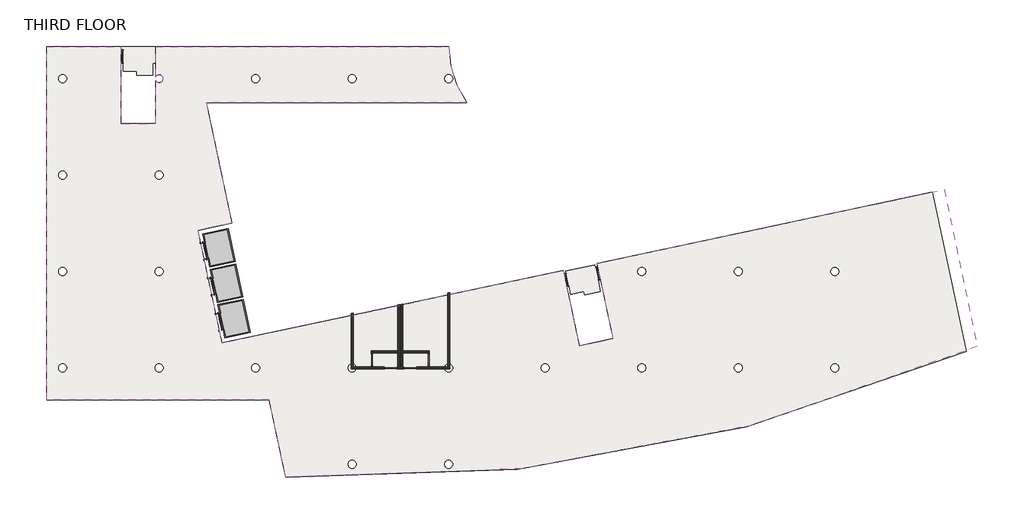
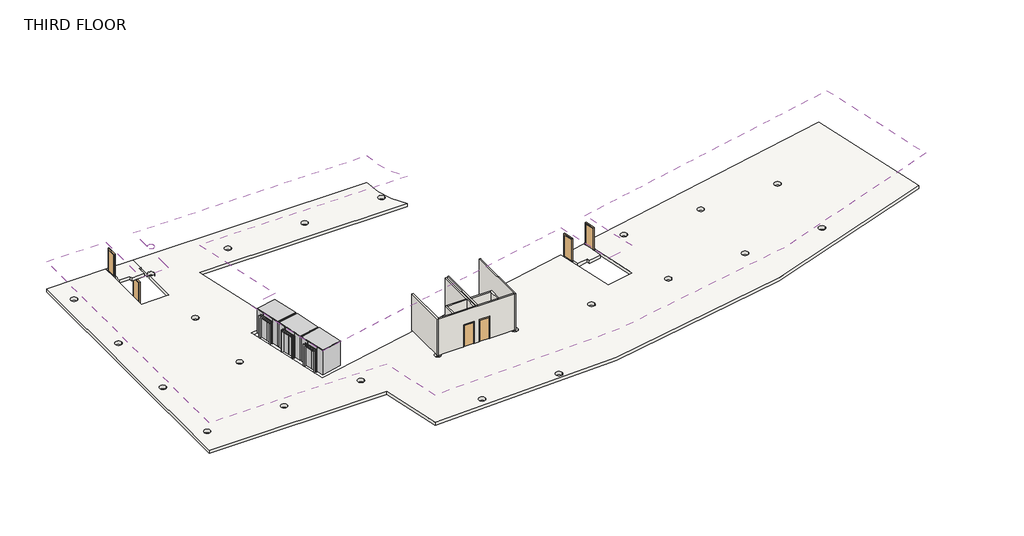
# One storey: 9 walls, 8 doors, 3 proxies, 2 slabs, 1 covering.
"""IFC4 building model written with IfcOpenShell, lengths in millimetres."""

import ifcopenshell
import ifcopenshell.guid

model = None  # the IFC model being written
_history = None  # IfcOwnerHistory: only IFC2X3 demands one
_inside = {}  # id of a spatial element -> (the spatial element, [elements in it])
_under = {}  # id of a project, library or spatial element -> (it, [spatial elements below it])
_declared = {}  # id of a project -> (the project, [libraries it declares])
_typed = {}  # id of a type object -> (the type object, [elements of that type])
_made_of = {}  # id of a material, layer set ... -> (it, [elements and type objects made of it])


def new_model(schema):
    """Start an empty IFC model of exactly this schema.

    Asked for "IFC4X3", IfcOpenShell would pick the latest addendum, in which some entities
    have other attributes; the version numbers below select the first issue.
    IFC2X3 requires an IfcOwnerHistory on every rooted entity: one is made here for all.
    """
    global model, _history
    if schema == "IFC4X3":
        model = ifcopenshell.file(schema_version=(4, 3, 0, 0))
    else:
        model = ifcopenshell.file(schema=schema)
    _inside.clear()
    _under.clear()
    _declared.clear()
    _typed.clear()
    _made_of.clear()
    _history = None
    if model.schema == "IFC2X3":
        org = make("IfcOrganization", Name="unknown")
        user = make(
            "IfcPersonAndOrganization",
            ThePerson=make("IfcPerson", FamilyName="unknown"),
            TheOrganization=org,
        )
        app = make(
            "IfcApplication",
            ApplicationDeveloper=org,
            Version="unknown",
            ApplicationFullName="unknown",
            ApplicationIdentifier="unknown",
        )
        _history = make(
            "IfcOwnerHistory",
            OwningUser=user,
            OwningApplication=app,
            ChangeAction="ADDED",
            CreationDate=0,
        )
    return model


def make(cls, **values):
    """One entity of the class cls with the attributes given. An attribute that is None is left unset."""
    return model.create_entity(
        cls, **{name: value for name, value in values.items() if value is not None}
    )


def rooted(cls, **values):
    """An entity with a GlobalId (a new one), such as an element, a storey or a relation."""
    return make(cls, GlobalId=ifcopenshell.guid.new(), OwnerHistory=_history, **values)


def si_unit(unit_type, name, prefix=None):
    """IfcSIUnit, for example si_unit("LENGTHUNIT", "METRE", prefix="MILLI")."""
    return make("IfcSIUnit", UnitType=unit_type, Prefix=prefix, Name=name)


def assignment(units):
    """IfcUnitAssignment: the units of a project."""
    return None if units is None else make("IfcUnitAssignment", Units=units)


def point(xyz):
    """IfcCartesianPoint."""
    return None if xyz is None else make("IfcCartesianPoint", Coordinates=xyz)


def direction(xyz):
    """IfcDirection."""
    return None if xyz is None else make("IfcDirection", DirectionRatios=xyz)


def frame(location, z_axis=None, x_axis=None):
    """IfcAxis2Placement3D, a coordinate frame: its origin and axes. An axis left out is left unset."""
    return make(
        "IfcAxis2Placement3D",
        Location=point(location),
        Axis=direction(z_axis),
        RefDirection=direction(x_axis),
    )


def frame_2d(location, x_axis=None):
    """IfcAxis2Placement2D, a coordinate frame in the plane: its origin and x axis."""
    return make(
        "IfcAxis2Placement2D", Location=point(location), RefDirection=direction(x_axis)
    )


def origin():
    """The frame at (0, 0, 0) with its axes left unset."""
    return frame((0.0, 0.0, 0.0))


def origin_with_axes():
    """The frame at (0, 0, 0) with the z axis (0, 0, 1) and the x axis (1, 0, 0) written out."""
    return frame((0.0, 0.0, 0.0), z_axis=(0.0, 0.0, 1.0), x_axis=(1.0, 0.0, 0.0))


def place(relative_to, where):
    """IfcLocalPlacement: puts the frame where relative to a parent placement (None: the world)."""
    return make(
        "IfcLocalPlacement", PlacementRelTo=relative_to, RelativePlacement=where
    )


def context(
    kind, dimensions, precision=None, world=None, true_north=None, identifier=None
):
    """IfcGeometricRepresentationContext, for example the 3D "Model" context."""
    return make(
        "IfcGeometricRepresentationContext",
        ContextIdentifier=identifier,
        ContextType=kind,
        CoordinateSpaceDimension=dimensions,
        Precision=precision,
        WorldCoordinateSystem=world,
        TrueNorth=true_north,
    )


def project(units=None, contexts=None):
    """IfcProject with its units and contexts."""
    return rooted(
        "IfcProject",
        Name="project",
        RepresentationContexts=contexts,
        UnitsInContext=assignment(units),
    )


def spatial(cls, under=None, at=None, **own):
    """A site, building, storey or space (cls), placed at a placement, below another one or the project."""
    s = rooted(cls, ObjectPlacement=at, **own)
    if under is not None:
        _under.setdefault(under.id(), (under, []))[1].append(s)
    return s


def polyline(points):
    """IfcPolyline through the points."""
    return make("IfcPolyline", Points=[point(p) for p in points])


def circle_curve(where, radius):
    """IfcCircle in the frame where."""
    return make("IfcCircle", Position=where, Radius=radius)


def trimmed(basis, trim1, trim2, sense, master):
    """IfcTrimmedCurve: the piece of a basis curve between two trims."""
    return make(
        "IfcTrimmedCurve",
        BasisCurve=basis,
        Trim1=trim1,
        Trim2=trim2,
        SenseAgreement=sense,
        MasterRepresentation=master,
    )


def segment(curve, same_sense, transition):
    """IfcCompositeCurveSegment."""
    return make(
        "IfcCompositeCurveSegment",
        Transition=transition,
        SameSense=same_sense,
        ParentCurve=curve,
    )


def composite_curve(segments, self_intersect=None):
    """IfcCompositeCurve: segments joined end to end."""
    return make("IfcCompositeCurve", Segments=segments, SelfIntersect=self_intersect)


def outline(outer, holes=None, kind="AREA"):
    """IfcArbitraryClosedProfileDef: a profile drawn as a closed curve; with holes, ...WithVoids."""
    if holes is None:
        return make("IfcArbitraryClosedProfileDef", ProfileType=kind, OuterCurve=outer)
    return make(
        "IfcArbitraryProfileDefWithVoids",
        ProfileType=kind,
        OuterCurve=outer,
        InnerCurves=holes,
    )


def extrude(swept, where, along, depth):
    """IfcExtrudedAreaSolid: the profile swept, set in the frame where, extruded along a direction by depth."""
    return make(
        "IfcExtrudedAreaSolid",
        SweptArea=swept,
        Position=where,
        ExtrudedDirection=direction(along),
        Depth=depth,
    )


def faces_of(points, faces, orient=None, outer=None):
    """IfcFace entities. A face is a list of loops; a loop is a list of indices into points, from 0.

    orient and outer hold one flag for each loop. By default every Orientation is true, the
    first loop of a face is its IfcFaceOuterBound and the others are IfcFaceBound.
    """
    made = []
    for i, loops in enumerate(faces):
        bounds = []
        for j, loop in enumerate(loops):
            is_outer = j == 0 if outer is None else outer[i][j]
            bounds.append(
                make(
                    "IfcFaceOuterBound" if is_outer else "IfcFaceBound",
                    Bound=make("IfcPolyLoop", Polygon=[points[k] for k in loop]),
                    Orientation=True if orient is None else orient[i][j],
                )
            )
        made.append(make("IfcFace", Bounds=bounds))
    return made


def faceted_brep(points, faces, orient=None, outer=None, voids=None):
    """IfcFacetedBrep: a solid bounded by flat faces; with voids (closed shells), ...WithVoids."""
    shared = [point(p) for p in points]
    hull = make("IfcClosedShell", CfsFaces=faces_of(shared, faces, orient, outer))
    if voids is None:
        return make("IfcFacetedBrep", Outer=hull)
    return make(
        "IfcFacetedBrepWithVoids",
        Outer=hull,
        Voids=[
            make(cls, CfsFaces=faces_of(shared, fs, o, b)) for cls, fs, o, b in voids
        ],
    )


def shape(context_of_items, identifier, shape_type, items):
    """IfcShapeRepresentation: the items that make up one representation, for example the "Body"."""
    return make(
        "IfcShapeRepresentation",
        ContextOfItems=context_of_items,
        RepresentationIdentifier=identifier,
        RepresentationType=shape_type,
        Items=items,
    )


def source(mapping_origin, context_of_items, identifier, shape_type, items):
    """IfcRepresentationMap: a shape defined once, which mapped items show again and again."""
    return make(
        "IfcRepresentationMap",
        MappingOrigin=mapping_origin,
        MappedRepresentation=shape(context_of_items, identifier, shape_type, items),
    )


def transform(
    local_origin,
    x_axis=None,
    y_axis=None,
    z_axis=None,
    scale=None,
    scale2=None,
    scale3=None,
    uniform=True,
):
    """IfcCartesianTransformationOperator3D, or its non-uniform kind. x_axis, y_axis, z_axis: its Axis1, 2, 3."""
    if uniform:
        return make(
            "IfcCartesianTransformationOperator3D",
            Axis1=direction(x_axis),
            Axis2=direction(y_axis),
            LocalOrigin=point(local_origin),
            Scale=scale,
            Axis3=direction(z_axis),
        )
    return make(
        "IfcCartesianTransformationOperator3DnonUniform",
        Axis1=direction(x_axis),
        Axis2=direction(y_axis),
        LocalOrigin=point(local_origin),
        Scale=scale,
        Axis3=direction(z_axis),
        Scale2=scale2,
        Scale3=scale3,
    )


def mapped(mapping_source, mapping_target):
    """IfcMappedItem: shows the shape of a source again, moved by a transform."""
    return make(
        "IfcMappedItem", MappingSource=mapping_source, MappingTarget=mapping_target
    )


def made_of(thing, what):
    """Note that an element or type object is made of a material, layer set ...; save() writes the relation."""
    if what is not None:
        _made_of.setdefault(what.id(), (what, []))[1].append(thing)
    return thing


def element(
    cls,
    number,
    at=None,
    inside=None,
    cuts=None,
    type_object=None,
    material=None,
    context=None,
    identifier="Body",
    shape_type=None,
    held_by="IfcProductDefinitionShape",
    body=None,
    shapes=None,
    **own,
):
    """One element of the class cls, such as IfcWall. Its Tag is "e" and its number.

    at: its placement. inside: the storey or other place that contains it. cuts: it is an
    opening in that element (IfcRelVoidsElement). A single representation is given by context,
    identifier, shape_type and body (its items); several are given by shapes. held_by: the class
    of the entity that holds the representations. save() writes the other relations.
    """
    e = rooted(cls, Tag="e%d" % number, ObjectPlacement=at, **own)
    if body is not None:
        shapes = [shape(context, identifier, shape_type, body)]
    if shapes is not None:
        e.Representation = make(held_by, Representations=shapes)
    if inside is not None:
        _inside.setdefault(inside.id(), (inside, []))[1].append(e)
    if cuts is not None:
        rooted(
            "IfcRelVoidsElement", RelatingBuildingElement=cuts, RelatedOpeningElement=e
        )
    if type_object is not None:
        _typed.setdefault(type_object.id(), (type_object, []))[1].append(e)
    return made_of(e, material)


def aggregate(whole, parts):
    """IfcRelAggregates: a whole, such as a stair, and the parts it consists of."""
    return rooted("IfcRelAggregates", RelatingObject=whole, RelatedObjects=parts)


def save(model, path):
    """Write the relations noted so far, then the file.

    IfcRelAggregates (storeys below a building ...), IfcRelContainedInSpatialStructure (elements
    in a storey), IfcRelDefinesByType, IfcRelAssociatesMaterial and IfcRelDeclares: one each for
    every whole, place, type object, material and project.
    """
    for whole, parts in _under.values():
        aggregate(whole, parts)
    for where, things in _inside.values():
        rooted(
            "IfcRelContainedInSpatialStructure",
            RelatedElements=things,
            RelatingStructure=where,
        )
    for kind, things in _typed.values():
        rooted("IfcRelDefinesByType", RelatedObjects=things, RelatingType=kind)
    for what, things in _made_of.values():
        rooted("IfcRelAssociatesMaterial", RelatedObjects=things, RelatingMaterial=what)
    for by, libraries in _declared.values():
        rooted("IfcRelDeclares", RelatingContext=by, RelatedDefinitions=libraries)
    model.write(path)


def elevator_elevator_aea40b95(model_context):
    return source(origin(), model_context, "Body", "SolidModel", [
        extrude(outline(polyline([(1292.0068205, 2184.4), (1292.0068205, 228.6), (-1273.3931795, 228.6), (-1273.3931795, 2184.4), (1292.0068205, 2184.4)])), frame((0.0, 0.0, 2438.4), z_axis=(0.0, 0.0, 1.0), x_axis=(1.0, 0.0, 0.0)), (0.0, 0.0, 1.0), 50.8),
        extrude(outline(polyline([(618.9068205, 177.8), (9.3068205, 177.8), (9.3068205, 228.6), (618.9068205, 228.6), (618.9068205, 177.8)])), origin_with_axes(), (0.0, 0.0, 1.0), 2133.6),
        extrude(outline(polyline([(9.3068205, 177.8), (-600.2931795, 177.8), (-600.2931795, 228.6), (9.3068205, 228.6), (9.3068205, 177.8)])), origin_with_axes(), (0.0, 0.0, 1.0), 2133.6),
        extrude(outline(polyline([(-1209.8931795, 292.1), (-600.2931795, 292.1), (-600.2931795, 228.6), (-1273.3931795, 228.6), (-1273.3931795, 2184.4), (1292.0068205, 2184.4), (1292.0068205, 228.6), (618.9068205, 228.6), (618.9068205, 292.1), (1228.5068205, 292.1), (1228.5068205, 2120.9), (-1209.8931795, 2120.9), (-1209.8931795, 292.1)])), origin_with_axes(), (0.0, 0.0, 1.0), 2438.4),
        extrude(outline(polyline([(9.3068205, 114.3), (-600.2931795, 114.3), (-600.2931795, 165.1), (9.3068205, 165.1), (9.3068205, 114.3)])), origin_with_axes(), (0.0, 0.0, 1.0), 2133.6),
        extrude(outline(polyline([(618.9068205, 114.3), (9.3068205, 114.3), (9.3068205, 165.1), (618.9068205, 165.1), (618.9068205, 114.3)])), origin_with_axes(), (0.0, 0.0, 1.0), 2133.6),
        faceted_brep([(618.9068205, -114.3, 0.0), (618.9068205, 114.3, 0.0), (714.1568205, 114.3, 0.0), (714.1568205, 101.6, 0.0), (631.6068205, 101.6, 0.0), (631.6068205, -101.6, 0.0), (714.1568205, -101.6, 0.0), (714.1568205, -114.3, 0.0), (618.9068205, -114.3, 2133.6), (618.9068205, 114.3, 2133.6), (-600.2931795, 114.3, 2133.6), (-600.2931795, 114.3, 0.0), (-695.5431795, 114.3, 0.0), (-695.5431795, 114.3, 2228.85), (714.1568205, 114.3, 2228.85), (714.1568205, 101.6, 2228.85), (-695.5431795, 101.6, 2228.85), (-695.5431795, 101.6, 0.0), (-612.9931795, 101.6, 0.0), (-612.9931795, 101.6, 2146.3), (631.6068205, 101.6, 2146.3), (631.6068205, -101.6, 2146.3), (-612.9931795, -101.6, 2146.3), (-612.9931795, -101.6, 0.0), (-695.5431795, -101.6, 0.0), (-695.5431795, -101.6, 2228.85), (714.1568205, -101.6, 2228.85), (714.1568205, -114.3, 2228.85), (-695.5431795, -114.3, 2228.85), (-695.5431795, -114.3, 0.0), (-600.2931795, -114.3, 0.0), (-600.2931795, -114.3, 2133.6)], [[[0, 1, 2, 3, 4, 5, 6, 7]], [[1, 0, 8, 9]], [[2, 1, 9, 10, 11, 12, 13, 14]], [[3, 2, 14, 15]], [[4, 3, 15, 16, 17, 18, 19, 20]], [[5, 4, 20, 21]], [[6, 5, 21, 22, 23, 24, 25, 26]], [[7, 6, 26, 27]], [[0, 7, 27, 28, 29, 30, 31, 8]], [[9, 8, 31, 10]], [[15, 14, 13, 16]], [[21, 20, 19, 22]], [[27, 26, 25, 28]], [[30, 29, 24, 23, 18, 17, 12, 11]], [[10, 31, 30, 11]], [[16, 13, 12, 17]], [[22, 19, 18, 23]], [[28, 25, 24, 29]]]),
        extrude(outline(polyline([(1228.5068205, 2120.9), (1228.5068205, 292.1), (-1209.8931795, 292.1), (-1209.8931795, 2120.9), (1228.5068205, 2120.9)])), frame((0.0, 0.0, -50.8), z_axis=(0.0, 0.0, 1.0), x_axis=(1.0, 0.0, 0.0)), (0.0, 0.0, 1.0), 50.8),
    ])


def door_single_3_0_x_7_0_eca5cfc2(model_context):
    return source(origin(), model_context, "Body", "SweptSolid", [
        extrude(outline(polyline([(2133.6, 457.2), (0.0, 457.2), (0.0, 508.0), (2235.2, 508.0), (2235.2, -508.0), (0.0, -508.0), (0.0, -457.2), (2133.6, -457.2), (2133.6, 457.2)])), frame((0.0, -63.5, 0.0), z_axis=(0.0, 1.0, 0.0), x_axis=(0.0, 0.0, 1.0)), (0.0, 0.0, 1.0), 101.6),
        extrude(outline(polyline([(457.2, -38.1), (-457.2, -38.1), (-457.2, 12.7), (457.2, 12.7), (457.2, -38.1)])), origin_with_axes(), (0.0, 0.0, 1.0), 2133.6),
    ])


def door_single_3_0_x_7_0_d1fda832(model_context):
    return source(origin(), model_context, "Body", "SweptSolid", [
        extrude(outline(polyline([(2133.6, 457.2), (0.0, 457.2), (0.0, 508.0), (2235.2, 508.0), (2235.2, -508.0), (0.0, -508.0), (0.0, -457.2), (2133.6, -457.2), (2133.6, 457.2)])), frame((0.0, -38.1, 0.0), z_axis=(0.0, 1.0, 0.0), x_axis=(0.0, 0.0, 1.0)), (0.0, 0.0, 1.0), 101.6),
        extrude(outline(polyline([(457.2, 38.1), (457.2, -12.7), (-457.2, -12.7), (-457.2, 38.1), (457.2, 38.1)])), origin_with_axes(), (0.0, 0.0, 1.0), 2133.6),
    ])


def door_single_3_0_x_7_0_1723c1a8(model_context):
    return source(origin(), model_context, "Body", "SweptSolid", [
        extrude(outline(polyline([(2133.6, 457.2), (0.0, 457.2), (0.0, 508.0), (2235.2, 508.0), (2235.2, -508.0), (0.0, -508.0), (0.0, -457.2), (2133.6, -457.2), (2133.6, 457.2)])), frame((0.0, -76.2, 0.0), z_axis=(0.0, 1.0, 0.0), x_axis=(0.0, 0.0, 1.0)), (0.0, 0.0, 1.0), 101.6),
        extrude(outline(polyline([(457.2, 0.0), (457.2, -50.8), (-457.2, -50.8), (-457.2, 0.0), (457.2, 0.0)])), origin_with_axes(), (0.0, 0.0, 1.0), 2133.6),
    ])


def door_single_3_0_x_7_0_8222587a(model_context):
    return source(origin(), model_context, "Body", "SweptSolid", [
        extrude(outline(polyline([(2133.6, 457.2), (0.0, 457.2), (0.0, 508.0), (2235.2, 508.0), (2235.2, -508.0), (0.0, -508.0), (0.0, -457.2), (2133.6, -457.2), (2133.6, 457.2)])), frame((0.0, -25.4, 0.0), z_axis=(0.0, 1.0, 0.0), x_axis=(0.0, 0.0, 1.0)), (0.0, 0.0, 1.0), 101.6),
        extrude(outline(polyline([(457.2, 0.0), (-457.2, 0.0), (-457.2, 50.8), (457.2, 50.8), (457.2, 0.0)])), origin_with_axes(), (0.0, 0.0, 1.0), 2133.6),
    ])


model = new_model("IFC4")

# Units and contexts
model_context = context("Model", 3, world=origin())
ifc_project = project(units=[si_unit("LENGTHUNIT", "METRE", prefix="MILLI")], contexts=[model_context])

# Site, building, storey
site = spatial("IfcSite", under=ifc_project)
building = spatial("IfcBuilding", under=site)
storey = spatial("IfcBuildingStorey", under=building, Name="THIRD FLOOR", Elevation=7315.2)

# Proxies
placement = place(None, origin())
elevator_elevator_shape = elevator_elevator_aea40b95(model_context)
element("IfcBuildingElementProxy", 1, Name="Elevator : Elevator", ObjectType="Elevator : Elevator", at=placement, inside=storey, context=model_context, shape_type="MappedRepresentation", body=[
    mapped(elevator_elevator_shape, transform((-17509.7580422, -9366.4730237, 7315.2), x_axis=(0.2079116908177548, -0.9781476007338066, 0.0), y_axis=(0.9781476007338066, 0.2079116908177548, 0.0), z_axis=(0.0, 0.0, 1.0))),
])
element("IfcBuildingElementProxy", 2, Name="Elevator : Elevator", ObjectType="Elevator : Elevator", at=placement, inside=storey, context=model_context, shape_type="MappedRepresentation", body=[
    mapped(elevator_elevator_shape, transform((-18080.1013924, -6683.2185254, 7315.2), x_axis=(0.2079116908177548, -0.9781476007338066, 0.0), y_axis=(0.9781476007338066, 0.2079116908177548, 0.0), z_axis=(0.0, 0.0, 1.0))),
])
element("IfcBuildingElementProxy", 3, Name="Elevator : Elevator", ObjectType="Elevator : Elevator", at=placement, inside=storey, context=model_context, shape_type="MappedRepresentation", body=[
    mapped(elevator_elevator_shape, transform((-18650.4447427, -3999.9640271, 7315.2), x_axis=(0.2079116908177548, -0.9781476007338066, 0.0), y_axis=(0.9781476007338066, 0.2079116908177548, 0.0), z_axis=(0.0, 0.0, 1.0))),
])

# Covering
element("IfcCovering", 4, ObjectType="2' x 2' ACT System", at=placement, inside=storey, context=model_context, shape_type="SweptSolid", body=[
    extrude(outline(composite_curve([segment(polyline([(-30534.9468949, 11508.042487), (-24906.4569123, 11508.042487), (-24906.4569123, 5666.042487), (-22264.8569123, 5666.042487), (-22264.8569123, 8917.8424385)]), True, "CONTINUOUS"), segment(trimmed(circle_curve(frame_2d((-22000.5468949, 9069.642487)), 304.8), [point((-22264.8569123, 8917.8424385))], [point((-22264.8569123, 9221.4425355))], True, "CARTESIAN"), True, "CONTINUOUS"), segment(polyline([(-22264.8569123, 9221.4425355), (-22264.8569123, 11508.042487), (-54.9468949, 11508.042487)]), True, "CONTINUOUS"), segment(trimmed(circle_curve(frame_2d((7260.2531065, 11508.042487)), 7315.2000015), [point((-54.9468949, 11508.042487))], [point((1318.6072723, 7240.8424869))], True, "CARTESIAN"), True, "CONTINUOUS"), segment(polyline([(1318.6072723, 7240.8424869), (-18443.0068148, 7240.8424869), (-16501.9960846, -1890.8950368), (-19085.8707867, -2440.1145593), (-17269.221597, -10986.7770354), (8619.2983214, -5484.0022549), (9829.8386527, -11202.6282078), (12413.9898379, -10653.3499171), (11198.6741211, -4935.7390037), (37489.0461282, 652.4520753), (40018.5133092, -11247.7553855)]), True, "CONTINUOUS"), segment(trimmed(circle_curve(frame_2d((-7737.0128889, 97609.7758268)), 118872.0000004), [point((40018.5133092, -11247.7553855))], [point((-12403.9734939, -21170.5755063))], False, "CARTESIAN"), True, "CONTINUOUS"), segment(polyline([(-12403.9734939, -21170.5755063), (-13648.751055, -15314.357513), (-30534.9468949, -15314.357513), (-30534.9468949, 11508.042487)]), True, "CONTINUOUS")], self_intersect=False), holes=[composite_curve([segment(trimmed(circle_curve(frame_2d((-29315.7468949, 9069.642487)), 304.8), [point((-29620.5468949, 9069.642487))], [point((-29010.9468949, 9069.642487))], True, "CARTESIAN"), True, "CONTINUOUS"), segment(trimmed(circle_curve(frame_2d((-29315.7468949, 9069.642487)), 304.8), [point((-29010.9468949, 9069.642487))], [point((-29620.5468949, 9069.642487))], True, "CARTESIAN"), True, "CONTINUOUS")], self_intersect=False), composite_curve([segment(trimmed(circle_curve(frame_2d((-29315.7468949, 1754.442487)), 304.8), [point((-29620.5468949, 1754.442487))], [point((-29010.9468949, 1754.442487))], True, "CARTESIAN"), True, "CONTINUOUS"), segment(trimmed(circle_curve(frame_2d((-29315.7468949, 1754.442487)), 304.8), [point((-29010.9468949, 1754.442487))], [point((-29620.5468949, 1754.442487))], True, "CARTESIAN"), True, "CONTINUOUS")], self_intersect=False), composite_curve([segment(trimmed(circle_curve(frame_2d((-29315.7468949, -5560.757513)), 304.8), [point((-29620.5468949, -5560.757513))], [point((-29010.9468949, -5560.757513))], True, "CARTESIAN"), True, "CONTINUOUS"), segment(trimmed(circle_curve(frame_2d((-29315.7468949, -5560.757513)), 304.8), [point((-29010.9468949, -5560.757513))], [point((-29620.5468949, -5560.757513))], True, "CARTESIAN"), True, "CONTINUOUS")], self_intersect=False), composite_curve([segment(trimmed(circle_curve(frame_2d((-29315.7468949, -12875.957513)), 304.8), [point((-29620.5468949, -12875.957513))], [point((-29010.9468949, -12875.957513))], True, "CARTESIAN"), True, "CONTINUOUS"), segment(trimmed(circle_curve(frame_2d((-29315.7468949, -12875.957513)), 304.8), [point((-29010.9468949, -12875.957513))], [point((-29620.5468949, -12875.957513))], True, "CARTESIAN"), True, "CONTINUOUS")], self_intersect=False), composite_curve([segment(trimmed(circle_curve(frame_2d((-22000.5468949, 1754.442487)), 304.8), [point((-22305.3468949, 1754.442487))], [point((-21695.7468949, 1754.442487))], True, "CARTESIAN"), True, "CONTINUOUS"), segment(trimmed(circle_curve(frame_2d((-22000.5468949, 1754.442487)), 304.8), [point((-21695.7468949, 1754.442487))], [point((-22305.3468949, 1754.442487))], True, "CARTESIAN"), True, "CONTINUOUS")], self_intersect=False), composite_curve([segment(trimmed(circle_curve(frame_2d((-22000.5468949, -5560.757513)), 304.8), [point((-22305.3468949, -5560.757513))], [point((-21695.7468949, -5560.757513))], True, "CARTESIAN"), True, "CONTINUOUS"), segment(trimmed(circle_curve(frame_2d((-22000.5468949, -5560.757513)), 304.8), [point((-21695.7468949, -5560.757513))], [point((-22305.3468949, -5560.757513))], True, "CARTESIAN"), True, "CONTINUOUS")], self_intersect=False), composite_curve([segment(trimmed(circle_curve(frame_2d((-22000.5468949, -12875.957513)), 304.8), [point((-22305.3468949, -12875.957513))], [point((-21695.7468949, -12875.957513))], True, "CARTESIAN"), True, "CONTINUOUS"), segment(trimmed(circle_curve(frame_2d((-22000.5468949, -12875.957513)), 304.8), [point((-21695.7468949, -12875.957513))], [point((-22305.3468949, -12875.957513))], True, "CARTESIAN"), True, "CONTINUOUS")], self_intersect=False), composite_curve([segment(trimmed(circle_curve(frame_2d((-14685.3468949, 9069.6424867)), 304.8), [point((-14990.1468949, 9069.6424867))], [point((-14380.5468949, 9069.6424867))], True, "CARTESIAN"), True, "CONTINUOUS"), segment(trimmed(circle_curve(frame_2d((-14685.3468949, 9069.6424867)), 304.8), [point((-14380.5468949, 9069.6424867))], [point((-14990.1468949, 9069.6424867))], True, "CARTESIAN"), True, "CONTINUOUS")], self_intersect=False), composite_curve([segment(trimmed(circle_curve(frame_2d((-14685.3468949, -12875.957513)), 304.8), [point((-14990.1468949, -12875.957513))], [point((-14380.5468949, -12875.957513))], True, "CARTESIAN"), True, "CONTINUOUS"), segment(trimmed(circle_curve(frame_2d((-14685.3468949, -12875.957513)), 304.8), [point((-14380.5468949, -12875.957513))], [point((-14990.1468949, -12875.957513))], True, "CARTESIAN"), True, "CONTINUOUS")], self_intersect=False), composite_curve([segment(trimmed(circle_curve(frame_2d((-7370.1468949, 9069.642487)), 304.8), [point((-7674.9468949, 9069.642487))], [point((-7065.3468949, 9069.642487))], True, "CARTESIAN"), True, "CONTINUOUS"), segment(trimmed(circle_curve(frame_2d((-7370.1468949, 9069.642487)), 304.8), [point((-7065.3468949, 9069.642487))], [point((-7674.9468949, 9069.642487))], True, "CARTESIAN"), True, "CONTINUOUS")], self_intersect=False), composite_curve([segment(trimmed(circle_curve(frame_2d((-7370.1468949, -12875.957513)), 304.8), [point((-7674.9468949, -12875.957513))], [point((-7065.3468949, -12875.957513))], True, "CARTESIAN"), True, "CONTINUOUS"), segment(trimmed(circle_curve(frame_2d((-7370.1468949, -12875.957513)), 304.8), [point((-7065.3468949, -12875.957513))], [point((-7674.9468949, -12875.957513))], True, "CARTESIAN"), True, "CONTINUOUS")], self_intersect=False), composite_curve([segment(trimmed(circle_curve(frame_2d((-54.946895, 9069.6424867)), 304.8), [point((-359.746895, 9069.6424867))], [point((249.853105, 9069.6424867))], True, "CARTESIAN"), True, "CONTINUOUS"), segment(trimmed(circle_curve(frame_2d((-54.946895, 9069.6424867)), 304.8), [point((249.853105, 9069.6424867))], [point((-359.746895, 9069.6424867))], True, "CARTESIAN"), True, "CONTINUOUS")], self_intersect=False), composite_curve([segment(trimmed(circle_curve(frame_2d((-54.9468949, -12875.957513)), 304.8), [point((-359.7468949, -12875.957513))], [point((249.8531051, -12875.957513))], True, "CARTESIAN"), True, "CONTINUOUS"), segment(trimmed(circle_curve(frame_2d((-54.9468949, -12875.957513)), 304.8), [point((249.8531051, -12875.957513))], [point((-359.7468949, -12875.957513))], True, "CARTESIAN"), True, "CONTINUOUS")], self_intersect=False), composite_curve([segment(trimmed(circle_curve(frame_2d((-7370.1468949, -20191.1575129)), 304.8), [point((-7674.9468949, -20191.1575129))], [point((-7065.3468949, -20191.1575129))], True, "CARTESIAN"), True, "CONTINUOUS"), segment(trimmed(circle_curve(frame_2d((-7370.1468949, -20191.1575129)), 304.8), [point((-7065.3468949, -20191.1575129))], [point((-7674.9468949, -20191.1575129))], True, "CARTESIAN"), True, "CONTINUOUS")], self_intersect=False), composite_curve([segment(trimmed(circle_curve(frame_2d((-54.9468949, -20191.157513)), 304.8), [point((-359.7468949, -20191.157513))], [point((249.8531051, -20191.157513))], True, "CARTESIAN"), True, "CONTINUOUS"), segment(trimmed(circle_curve(frame_2d((-54.9468949, -20191.157513)), 304.8), [point((249.8531051, -20191.157513))], [point((-359.7468949, -20191.157513))], True, "CARTESIAN"), True, "CONTINUOUS")], self_intersect=False), composite_curve([segment(trimmed(circle_curve(frame_2d((7260.2531051, -12875.957513)), 304.8), [point((6955.4531051, -12875.957513))], [point((7565.0531051, -12875.957513))], True, "CARTESIAN"), True, "CONTINUOUS"), segment(trimmed(circle_curve(frame_2d((7260.2531051, -12875.957513)), 304.8), [point((7565.0531051, -12875.957513))], [point((6955.4531051, -12875.957513))], True, "CARTESIAN"), True, "CONTINUOUS")], self_intersect=False), composite_curve([segment(trimmed(circle_curve(frame_2d((14575.4531051, -12875.957513)), 304.8), [point((14270.6531051, -12875.957513))], [point((14880.2531051, -12875.957513))], True, "CARTESIAN"), True, "CONTINUOUS"), segment(trimmed(circle_curve(frame_2d((14575.4531051, -12875.957513)), 304.8), [point((14880.2531051, -12875.957513))], [point((14270.6531051, -12875.957513))], True, "CARTESIAN"), True, "CONTINUOUS")], self_intersect=False), composite_curve([segment(trimmed(circle_curve(frame_2d((21890.6531051, -12875.957513)), 304.8), [point((21585.8531051, -12875.957513))], [point((22195.4531051, -12875.957513))], True, "CARTESIAN"), True, "CONTINUOUS"), segment(trimmed(circle_curve(frame_2d((21890.6531051, -12875.957513)), 304.8), [point((22195.4531051, -12875.957513))], [point((21585.8531051, -12875.957513))], True, "CARTESIAN"), True, "CONTINUOUS")], self_intersect=False), composite_curve([segment(trimmed(circle_curve(frame_2d((29205.8531051, -12875.957513)), 304.8), [point((28901.0531051, -12875.957513))], [point((29510.6531051, -12875.957513))], True, "CARTESIAN"), True, "CONTINUOUS"), segment(trimmed(circle_curve(frame_2d((29205.8531051, -12875.957513)), 304.8), [point((29510.6531051, -12875.957513))], [point((28901.0531051, -12875.957513))], True, "CARTESIAN"), True, "CONTINUOUS")], self_intersect=False), composite_curve([segment(trimmed(circle_curve(frame_2d((14575.4531051, -5560.7575131)), 304.8), [point((14270.6531051, -5560.7575131))], [point((14880.2531051, -5560.7575131))], True, "CARTESIAN"), True, "CONTINUOUS"), segment(trimmed(circle_curve(frame_2d((14575.4531051, -5560.7575131)), 304.8), [point((14880.2531051, -5560.7575131))], [point((14270.6531051, -5560.7575131))], True, "CARTESIAN"), True, "CONTINUOUS")], self_intersect=False), composite_curve([segment(trimmed(circle_curve(frame_2d((21890.6531051, -5560.757513)), 304.8), [point((21585.8531051, -5560.757513))], [point((22195.4531051, -5560.757513))], True, "CARTESIAN"), True, "CONTINUOUS"), segment(trimmed(circle_curve(frame_2d((21890.6531051, -5560.757513)), 304.8), [point((22195.4531051, -5560.757513))], [point((21585.8531051, -5560.757513))], True, "CARTESIAN"), True, "CONTINUOUS")], self_intersect=False), composite_curve([segment(trimmed(circle_curve(frame_2d((29205.8531051, -5560.757513)), 304.8), [point((28901.0531051, -5560.757513))], [point((29510.6531051, -5560.757513))], True, "CARTESIAN"), True, "CONTINUOUS"), segment(trimmed(circle_curve(frame_2d((29205.8531051, -5560.757513)), 304.8), [point((29510.6531051, -5560.757513))], [point((28901.0531051, -5560.757513))], True, "CARTESIAN"), True, "CONTINUOUS")], self_intersect=False)]), frame((0.0, 0.0, 10058.4), z_axis=(0.0, 0.0, 1.0), x_axis=(1.0, 0.0, 0.0)), (0.0, 0.0, 1.0), 57.15),
])

# Doors
door_single_3_0_x_7_0_shape = door_single_3_0_x_7_0_eca5cfc2(model_context)
element("IfcDoor", 5, ObjectType="Door Single : 3-0 x 7-0", at=placement, inside=storey, context=model_context, shape_type="MappedRepresentation", body=[
    mapped(door_single_3_0_x_7_0_shape, transform((-4449.1468949, -12875.957513, 7315.2), x_axis=(1.0, 0.0, 0.0), y_axis=(0.0, 1.0, 0.0), z_axis=(0.0, 0.0, 1.0))),
])
element("IfcDoor", 6, ObjectType="Door Single : 3-0 x 7-0", at=placement, inside=storey, context=model_context, shape_type="MappedRepresentation", body=[
    mapped(door_single_3_0_x_7_0_shape, transform((-5846.1468949, -12266.357513, 7315.2), x_axis=(0.0, -1.0, 0.0), y_axis=(1.0, 0.0, 0.0), z_axis=(0.0, 0.0, 1.0))),
])
door_single_3_0_x_7_0_2_shape = door_single_3_0_x_7_0_d1fda832(model_context)
element("IfcDoor", 7, ObjectType="Door Single : 3-0 x 7-0", at=placement, inside=storey, context=model_context, shape_type="MappedRepresentation", body=[
    mapped(door_single_3_0_x_7_0_2_shape, transform((-2975.9468949, -12875.957513, 7315.2), x_axis=(-1.0, 0.0, 0.0), y_axis=(0.0, -1.0, 0.0), z_axis=(0.0, 0.0, 1.0))),
])
element("IfcDoor", 8, ObjectType="Door Single : 3-0 x 7-0", at=placement, inside=storey, context=model_context, shape_type="MappedRepresentation", body=[
    mapped(door_single_3_0_x_7_0_2_shape, transform((-1578.9468949, -12266.357513, 7315.2), x_axis=(0.0, -1.0, 0.0), y_axis=(1.0, 0.0, 0.0), z_axis=(0.0, 0.0, 1.0))),
])
door_single_3_0_x_7_0_3_shape = door_single_3_0_x_7_0_1723c1a8(model_context)
element("IfcDoor", 9, ObjectType="Door Single : 3-0 x 7-0", at=placement, inside=storey, context=model_context, shape_type="MappedRepresentation", body=[
    mapped(door_single_3_0_x_7_0_3_shape, transform((-24804.8569123, 10746.042487, 7315.2), x_axis=(0.0, 1.0, 0.0), y_axis=(-1.0, 0.0, 0.0), z_axis=(0.0, 0.0, 1.0))),
])
element("IfcDoor", 10, ObjectType="Door Single : 3-0 x 7-0", at=placement, inside=storey, context=model_context, shape_type="MappedRepresentation", body=[
    mapped(door_single_3_0_x_7_0_3_shape, transform((8877.1951669, -6211.7171739, 7315.2), x_axis=(-0.2070946634231908, 0.978320908690822, 0.0), y_axis=(-0.978320908690822, -0.2070946634231908, 0.0), z_axis=(0.0, 0.0, 1.0))),
])
door_single_3_0_x_7_0_4_shape = door_single_3_0_x_7_0_8222587a(model_context)
element("IfcDoor", 11, ObjectType="Door Single : 3-0 x 7-0", at=placement, inside=storey, context=model_context, shape_type="MappedRepresentation", body=[
    mapped(door_single_3_0_x_7_0_4_shape, transform((11258.6917621, -5706.7688137, 7315.2), x_axis=(-0.20791169081775454, 0.9781476007338068, 0.0), y_axis=(-0.9781476007338068, -0.20791169081775454, 0.0), z_axis=(0.0, 0.0, 1.0))),
])
element("IfcDoor", 12, ObjectType="Door Single : 3-0 x 7-0", at=placement, inside=storey, context=model_context, shape_type="MappedRepresentation", body=[
    mapped(door_single_3_0_x_7_0_4_shape, transform((-22366.4569123, 10746.042487, 3657.6), x_axis=(0.0, 1.0, 0.0), y_axis=(-1.0, 0.0, 0.0), z_axis=(0.0, 0.0, 1.0))),
])

# Slabs
element("IfcSlab", 13, ObjectType="Generic - 12\"", at=placement, inside=storey, context=model_context, shape_type="SweptSolid", body=[
    extrude(outline(composite_curve([segment(polyline([(-30534.9468949, 11508.042487), (-24906.4569123, 11508.042487), (-24906.4569123, 5666.042487), (-22264.8569123, 5666.042487), (-22264.8569123, 8917.8424385)]), True, "CONTINUOUS"), segment(trimmed(circle_curve(frame_2d((-22000.5468949, 9069.642487)), 304.8), [point((-22264.8569123, 8917.8424385))], [point((-22264.8569123, 9221.4425355))], True, "CARTESIAN"), True, "CONTINUOUS"), segment(polyline([(-22264.8569123, 9221.4425355), (-22264.8569123, 11508.042487), (-54.9468949, 11508.042487)]), True, "CONTINUOUS"), segment(trimmed(circle_curve(frame_2d((7260.2531056, 11508.042487)), 7315.2000005), [point((-54.9468949, 11508.042487))], [point((1318.6072725, 7240.8424869))], True, "CARTESIAN"), True, "CONTINUOUS"), segment(polyline([(1318.6072725, 7240.8424869), (-18443.0068148, 7240.8424869), (-16501.9960846, -1890.8950368), (-19085.8707867, -2440.1145593), (-17269.221597, -10986.7770354), (8619.2983214, -5484.0022549), (9829.8386527, -11202.6282078), (12413.9898379, -10653.3499171), (11198.6741211, -4935.7390036), (36594.6279621, 462.3376252), (39162.6433777, -11619.2250208)]), True, "CONTINUOUS"), segment(trimmed(circle_curve(frame_2d((-7737.0128889, 97609.7758264)), 118872.0000001), [point((39162.6433777, -11619.2250208))], [point((-12403.9734939, -21170.5755063))], False, "CARTESIAN"), True, "CONTINUOUS"), segment(polyline([(-12403.9734939, -21170.5755063), (-13648.751055, -15314.357513), (-30534.9468949, -15314.357513), (-30534.9468949, 11508.042487)]), True, "CONTINUOUS")], self_intersect=False), holes=[composite_curve([segment(trimmed(circle_curve(frame_2d((-29315.7468949, 9069.642487)), 304.8), [point((-29620.5468949, 9069.642487))], [point((-29010.9468949, 9069.642487))], True, "CARTESIAN"), True, "CONTINUOUS"), segment(trimmed(circle_curve(frame_2d((-29315.7468949, 9069.642487)), 304.8), [point((-29010.9468949, 9069.642487))], [point((-29620.5468949, 9069.642487))], True, "CARTESIAN"), True, "CONTINUOUS")], self_intersect=False), composite_curve([segment(trimmed(circle_curve(frame_2d((-29315.7468949, 1754.442487)), 304.8), [point((-29620.5468949, 1754.442487))], [point((-29010.9468949, 1754.442487))], True, "CARTESIAN"), True, "CONTINUOUS"), segment(trimmed(circle_curve(frame_2d((-29315.7468949, 1754.442487)), 304.8), [point((-29010.9468949, 1754.442487))], [point((-29620.5468949, 1754.442487))], True, "CARTESIAN"), True, "CONTINUOUS")], self_intersect=False), composite_curve([segment(trimmed(circle_curve(frame_2d((-29315.7468949, -5560.757513)), 304.8), [point((-29620.5468949, -5560.757513))], [point((-29010.9468949, -5560.757513))], True, "CARTESIAN"), True, "CONTINUOUS"), segment(trimmed(circle_curve(frame_2d((-29315.7468949, -5560.757513)), 304.8), [point((-29010.9468949, -5560.757513))], [point((-29620.5468949, -5560.757513))], True, "CARTESIAN"), True, "CONTINUOUS")], self_intersect=False), composite_curve([segment(trimmed(circle_curve(frame_2d((-29315.7468949, -12875.957513)), 304.8), [point((-29620.5468949, -12875.957513))], [point((-29010.9468949, -12875.957513))], True, "CARTESIAN"), True, "CONTINUOUS"), segment(trimmed(circle_curve(frame_2d((-29315.7468949, -12875.957513)), 304.8), [point((-29010.9468949, -12875.957513))], [point((-29620.5468949, -12875.957513))], True, "CARTESIAN"), True, "CONTINUOUS")], self_intersect=False), composite_curve([segment(trimmed(circle_curve(frame_2d((-22000.5468949, 1754.442487)), 304.8), [point((-22305.3468949, 1754.442487))], [point((-21695.7468949, 1754.442487))], True, "CARTESIAN"), True, "CONTINUOUS"), segment(trimmed(circle_curve(frame_2d((-22000.5468949, 1754.442487)), 304.8), [point((-21695.7468949, 1754.442487))], [point((-22305.3468949, 1754.442487))], True, "CARTESIAN"), True, "CONTINUOUS")], self_intersect=False), composite_curve([segment(trimmed(circle_curve(frame_2d((-22000.5468949, -5560.757513)), 304.8), [point((-22305.3468949, -5560.757513))], [point((-21695.7468949, -5560.757513))], True, "CARTESIAN"), True, "CONTINUOUS"), segment(trimmed(circle_curve(frame_2d((-22000.5468949, -5560.757513)), 304.8), [point((-21695.7468949, -5560.757513))], [point((-22305.3468949, -5560.757513))], True, "CARTESIAN"), True, "CONTINUOUS")], self_intersect=False), composite_curve([segment(trimmed(circle_curve(frame_2d((-22000.5468949, -12875.957513)), 304.8), [point((-22305.3468949, -12875.957513))], [point((-21695.7468949, -12875.957513))], True, "CARTESIAN"), True, "CONTINUOUS"), segment(trimmed(circle_curve(frame_2d((-22000.5468949, -12875.957513)), 304.8), [point((-21695.7468949, -12875.957513))], [point((-22305.3468949, -12875.957513))], True, "CARTESIAN"), True, "CONTINUOUS")], self_intersect=False), composite_curve([segment(trimmed(circle_curve(frame_2d((-14685.3468949, 9069.6424869)), 304.8), [point((-14990.1468949, 9069.6424869))], [point((-14380.5468949, 9069.6424869))], True, "CARTESIAN"), True, "CONTINUOUS"), segment(trimmed(circle_curve(frame_2d((-14685.3468949, 9069.6424869)), 304.8), [point((-14380.5468949, 9069.6424869))], [point((-14990.1468949, 9069.6424869))], True, "CARTESIAN"), True, "CONTINUOUS")], self_intersect=False), composite_curve([segment(trimmed(circle_curve(frame_2d((-14685.3468949, -12875.957513)), 304.8), [point((-14990.1468949, -12875.957513))], [point((-14380.5468949, -12875.957513))], True, "CARTESIAN"), True, "CONTINUOUS"), segment(trimmed(circle_curve(frame_2d((-14685.3468949, -12875.957513)), 304.8), [point((-14380.5468949, -12875.957513))], [point((-14990.1468949, -12875.957513))], True, "CARTESIAN"), True, "CONTINUOUS")], self_intersect=False), composite_curve([segment(trimmed(circle_curve(frame_2d((-7370.1468949, 9069.642487)), 304.8), [point((-7674.9468949, 9069.642487))], [point((-7065.3468949, 9069.642487))], True, "CARTESIAN"), True, "CONTINUOUS"), segment(trimmed(circle_curve(frame_2d((-7370.1468949, 9069.642487)), 304.8), [point((-7065.3468949, 9069.642487))], [point((-7674.9468949, 9069.642487))], True, "CARTESIAN"), True, "CONTINUOUS")], self_intersect=False), composite_curve([segment(trimmed(circle_curve(frame_2d((-7370.1468949, -12875.957513)), 304.8), [point((-7674.9468949, -12875.957513))], [point((-7065.3468949, -12875.957513))], True, "CARTESIAN"), True, "CONTINUOUS"), segment(trimmed(circle_curve(frame_2d((-7370.1468949, -12875.957513)), 304.8), [point((-7065.3468949, -12875.957513))], [point((-7674.9468949, -12875.957513))], True, "CARTESIAN"), True, "CONTINUOUS")], self_intersect=False), composite_curve([segment(trimmed(circle_curve(frame_2d((-54.9468949, 9069.6424869)), 304.8), [point((-359.7468949, 9069.6424869))], [point((249.8531051, 9069.6424869))], True, "CARTESIAN"), True, "CONTINUOUS"), segment(trimmed(circle_curve(frame_2d((-54.9468949, 9069.6424869)), 304.8), [point((249.8531051, 9069.6424869))], [point((-359.7468949, 9069.6424869))], True, "CARTESIAN"), True, "CONTINUOUS")], self_intersect=False), composite_curve([segment(trimmed(circle_curve(frame_2d((-54.9468949, -12875.957513)), 304.8), [point((-359.7468949, -12875.957513))], [point((249.8531051, -12875.957513))], True, "CARTESIAN"), True, "CONTINUOUS"), segment(trimmed(circle_curve(frame_2d((-54.9468949, -12875.957513)), 304.8), [point((249.8531051, -12875.957513))], [point((-359.7468949, -12875.957513))], True, "CARTESIAN"), True, "CONTINUOUS")], self_intersect=False), composite_curve([segment(trimmed(circle_curve(frame_2d((-7370.1468949, -20191.157513)), 304.8), [point((-7674.9468949, -20191.157513))], [point((-7065.3468949, -20191.157513))], True, "CARTESIAN"), True, "CONTINUOUS"), segment(trimmed(circle_curve(frame_2d((-7370.1468949, -20191.157513)), 304.8), [point((-7065.3468949, -20191.157513))], [point((-7674.9468949, -20191.157513))], True, "CARTESIAN"), True, "CONTINUOUS")], self_intersect=False), composite_curve([segment(trimmed(circle_curve(frame_2d((-54.9468949, -20191.157513)), 304.8), [point((-359.7468949, -20191.157513))], [point((249.8531051, -20191.157513))], True, "CARTESIAN"), True, "CONTINUOUS"), segment(trimmed(circle_curve(frame_2d((-54.9468949, -20191.157513)), 304.8), [point((249.8531051, -20191.157513))], [point((-359.7468949, -20191.157513))], True, "CARTESIAN"), True, "CONTINUOUS")], self_intersect=False), composite_curve([segment(trimmed(circle_curve(frame_2d((7260.2531051, -12875.957513)), 304.8), [point((6955.4531051, -12875.957513))], [point((7565.0531051, -12875.957513))], True, "CARTESIAN"), True, "CONTINUOUS"), segment(trimmed(circle_curve(frame_2d((7260.2531051, -12875.957513)), 304.8), [point((7565.0531051, -12875.957513))], [point((6955.4531051, -12875.957513))], True, "CARTESIAN"), True, "CONTINUOUS")], self_intersect=False), composite_curve([segment(trimmed(circle_curve(frame_2d((14575.4531051, -12875.957513)), 304.8), [point((14270.6531051, -12875.957513))], [point((14880.2531051, -12875.957513))], True, "CARTESIAN"), True, "CONTINUOUS"), segment(trimmed(circle_curve(frame_2d((14575.4531051, -12875.957513)), 304.8), [point((14880.2531051, -12875.957513))], [point((14270.6531051, -12875.957513))], True, "CARTESIAN"), True, "CONTINUOUS")], self_intersect=False), composite_curve([segment(trimmed(circle_curve(frame_2d((21890.6531051, -12875.957513)), 304.8), [point((21585.8531051, -12875.957513))], [point((22195.4531051, -12875.957513))], True, "CARTESIAN"), True, "CONTINUOUS"), segment(trimmed(circle_curve(frame_2d((21890.6531051, -12875.957513)), 304.8), [point((22195.4531051, -12875.957513))], [point((21585.8531051, -12875.957513))], True, "CARTESIAN"), True, "CONTINUOUS")], self_intersect=False), composite_curve([segment(trimmed(circle_curve(frame_2d((29205.8531051, -12875.957513)), 304.8), [point((28901.0531051, -12875.957513))], [point((29510.6531051, -12875.957513))], True, "CARTESIAN"), True, "CONTINUOUS"), segment(trimmed(circle_curve(frame_2d((29205.8531051, -12875.957513)), 304.8), [point((29510.6531051, -12875.957513))], [point((28901.0531051, -12875.957513))], True, "CARTESIAN"), True, "CONTINUOUS")], self_intersect=False), composite_curve([segment(trimmed(circle_curve(frame_2d((14575.4531051, -5560.757513)), 304.8), [point((14270.6531051, -5560.757513))], [point((14880.2531051, -5560.757513))], True, "CARTESIAN"), True, "CONTINUOUS"), segment(trimmed(circle_curve(frame_2d((14575.4531051, -5560.757513)), 304.8), [point((14880.2531051, -5560.757513))], [point((14270.6531051, -5560.757513))], True, "CARTESIAN"), True, "CONTINUOUS")], self_intersect=False), composite_curve([segment(trimmed(circle_curve(frame_2d((21890.6531051, -5560.757513)), 304.8), [point((21585.8531051, -5560.757513))], [point((22195.4531051, -5560.757513))], True, "CARTESIAN"), True, "CONTINUOUS"), segment(trimmed(circle_curve(frame_2d((21890.6531051, -5560.757513)), 304.8), [point((22195.4531051, -5560.757513))], [point((21585.8531051, -5560.757513))], True, "CARTESIAN"), True, "CONTINUOUS")], self_intersect=False), composite_curve([segment(trimmed(circle_curve(frame_2d((29205.8531051, -5560.757513)), 304.8), [point((28901.0531051, -5560.757513))], [point((29510.6531051, -5560.757513))], True, "CARTESIAN"), True, "CONTINUOUS"), segment(trimmed(circle_curve(frame_2d((29205.8531051, -5560.757513)), 304.8), [point((29510.6531051, -5560.757513))], [point((28901.0531051, -5560.757513))], True, "CARTESIAN"), True, "CONTINUOUS")], self_intersect=False)]), frame((0.0, 0.0, 7010.4), z_axis=(0.0, 0.0, 1.0), x_axis=(1.0, 0.0, 0.0)), (0.0, 0.0, 1.0), 304.8),
])
element("IfcSlab", 14, ObjectType="Generic - 12\"", at=placement, inside=storey, context=model_context, shape_type="SweptSolid", body=[
    extrude(outline(polyline([(-22264.8569123, 11508.042487), (-22264.8569123, 10238.042487), (-22468.0569123, 10238.042487), (-22468.0569123, 9349.042487), (-23687.2569123, 9349.042487), (-23687.2569123, 9628.442487), (-24703.2569123, 9628.442487), (-24703.2569123, 10238.042487), (-24906.4569123, 10238.042487), (-24906.4569123, 11508.042487), (-22264.8569123, 11508.042487)])), frame((0.0, 0.0, 7010.4), z_axis=(0.0, 0.0, 1.0), x_axis=(1.0, 0.0, 0.0)), (0.0, 0.0, 1.0), 304.8),
    extrude(outline(polyline([(8834.3394815, -5540.4719721), (11020.6943748, -5075.7478934), (11053.6927854, -5230.9932097), (11252.4525344, -5188.7455209), (11463.6909196, -6182.543988), (11263.9733536, -6224.9952671), (11448.7098251, -7094.1120333), (10256.1511269, -7347.5982098), (10198.0604127, -7074.3028865), (9204.0870541, -7284.7112179), (9077.3440874, -6688.4324405), (8878.5844949, -6730.680096), (8668.2114637, -5736.8720874), (8866.9710562, -5694.6244319), (8834.3394815, -5540.4719721)])), frame((0.0, 0.0, 7010.4), z_axis=(0.0, 0.0, 1.0), x_axis=(1.0, 0.0, 0.0)), (0.0, 0.0, 1.0), 304.8),
])

# Walls
element("IfcWall", 15, ObjectType="Generic - 5\"", at=placement, inside=storey, context=model_context, shape_type="Brep", body=[
    faceted_brep([(-7306.6468949, -12939.457513, 7315.2), (-7306.6468949, -12812.457513, 7315.2), (-7306.6468949, -8830.2152347, 7315.2), (-7306.6468949, -8700.3779792, 7315.2), (-7306.6468949, -8700.3779792, 10972.8), (-7306.6468949, -8830.2152347, 10972.8), (-7306.6468949, -12812.457513, 10972.8), (-7306.6468949, -12939.457513, 10972.8), (-7433.6468949, -12939.457513, 7315.2), (-7433.6468949, -12939.457513, 10972.8), (-7433.6468949, -8857.209918, 10972.8), (-7433.6468949, -8727.3726625, 10972.8), (-7433.6468949, -8727.3726625, 7315.2), (-7433.6468949, -8857.209918, 7315.2)], [[[0, 1, 2, 3, 4, 5, 6, 7]], [[8, 9, 10, 11, 12, 13]], [[3, 2, 1, 0, 8, 13, 12]], [[7, 6, 5, 4, 11, 10, 9]], [[0, 7, 9, 8]], [[4, 3, 12, 11]]]),
])
element("IfcWall", 16, ObjectType="Generic - 5\"", at=placement, inside=storey, context=model_context, shape_type="Brep", body=[
    faceted_brep([(8.5531051, -12939.457513, 7315.2), (8.5531051, -7275.3214748, 7315.2), (8.5531051, -7145.4842192, 7315.2), (8.5531051, -7145.4842192, 10972.8), (8.5531051, -7275.3214748, 10972.8), (8.5531051, -12939.457513, 10972.8), (-118.4468949, -12939.457513, 7315.2), (-118.4468949, -12939.457513, 10972.8), (-118.4468949, -12812.457513, 10972.8), (-118.4468949, -7302.3161581, 10972.8), (-118.4468949, -7172.4789026, 10972.8), (-118.4468949, -7172.4789026, 7315.2), (-118.4468949, -7302.3161581, 7315.2), (-118.4468949, -12812.457513, 7315.2)], [[[0, 1, 2, 3, 4, 5]], [[6, 7, 8, 9, 10, 11, 12, 13]], [[2, 1, 0, 6, 13, 12, 11]], [[5, 4, 3, 10, 9, 8, 7]], [[0, 5, 7, 6]], [[3, 2, 11, 10]]]),
])
element("IfcWall", 17, ObjectType="Generic - 5\"", at=placement, inside=storey, context=model_context, shape_type="Brep", body=[
    faceted_brep([(-3941.1468949, -12812.457513, 7315.2), (-3903.0468949, -12812.457513, 7315.2), (-3776.0468949, -12812.457513, 7315.2), (-3649.0468949, -12812.457513, 7315.2), (-3522.0468949, -12812.457513, 7315.2), (-3483.9468949, -12812.457513, 7315.2), (-3483.9468949, -12939.457513, 7315.2), (-3941.1468949, -12939.457513, 7315.2), (-4957.1468949, -12939.457513, 7315.2), (-7306.6468949, -12939.457513, 7315.2), (-7306.6468949, -12812.457513, 7315.2), (-5909.6468949, -12812.457513, 7315.2), (-5782.6468949, -12812.457513, 7315.2), (-4957.1468949, -12812.457513, 7315.2), (-2467.9468949, -12812.457513, 7315.2), (-1642.4468949, -12812.457513, 7315.2), (-1515.4468949, -12812.457513, 7315.2), (-118.4468949, -12812.457513, 7315.2), (-118.4468949, -12939.457513, 7315.2), (-2467.9468949, -12939.457513, 7315.2), (-7306.6468949, -12939.457513, 10972.8), (-118.4468949, -12939.457513, 10972.8), (-118.4468949, -12812.457513, 10972.8), (-1515.4468949, -12812.457513, 10972.8), (-1642.4468949, -12812.457513, 10972.8), (-3522.0468949, -12812.457513, 10972.8), (-3649.0468949, -12812.457513, 10972.8), (-3776.0468949, -12812.457513, 10972.8), (-3903.0468949, -12812.457513, 10972.8), (-5782.6468949, -12812.457513, 10972.8), (-5909.6468949, -12812.457513, 10972.8), (-7306.6468949, -12812.457513, 10972.8), (-3483.9468949, -12939.457513, 9550.4), (-2467.9468949, -12939.457513, 9550.4), (-4957.1468949, -12939.457513, 9550.4), (-3941.1468949, -12939.457513, 9550.4), (-3483.9468949, -12812.457513, 9550.4), (-3941.1468949, -12812.457513, 9550.4), (-4957.1468949, -12812.457513, 9550.4), (-2467.9468949, -12812.457513, 9550.4)], [[[0, 1, 2, 3, 4, 5, 6, 7]], [[8, 9, 10, 11, 12, 13]], [[14, 15, 16, 17, 18, 19]], [[20, 21, 22, 23, 24, 25, 26, 27, 28, 29, 30, 31]], [[7, 6, 32, 33, 19, 18, 21, 20, 9, 8, 34, 35]], [[36, 5, 4, 3, 2, 1, 0, 37, 38, 13, 12, 11, 10, 31, 30, 29, 28, 27, 26, 25, 24, 23, 22, 17, 16, 15, 14, 39]], [[9, 20, 31, 10]], [[21, 18, 17, 22]], [[13, 38, 34, 8]], [[37, 0, 7, 35]], [[38, 37, 35, 34]], [[19, 33, 39, 14]], [[32, 6, 5, 36]], [[33, 32, 36, 39]]]),
])
element("IfcWall", 18, ObjectType="Generic - 5\"", at=placement, inside=storey, context=model_context, shape_type="Brep", body=[
    faceted_brep([(-5909.6468949, -12812.457513, 7315.2), (-5909.6468949, -12774.357513, 7315.2), (-5782.6468949, -12774.357513, 7315.2), (-5782.6468949, -12812.457513, 7315.2), (-5909.6468949, -11758.357513, 7315.2), (-5909.6468949, -11593.257513, 7315.2), (-5782.6468949, -11593.257513, 7315.2), (-5782.6468949, -11720.257513, 7315.2), (-5782.6468949, -11758.357513, 7315.2), (-5782.6468949, -12812.457513, 10972.8), (-5782.6468949, -11720.257513, 10972.8), (-5782.6468949, -11593.257513, 10972.8), (-5909.6468949, -11593.257513, 10972.8), (-5909.6468949, -12812.457513, 10972.8), (-5782.6468949, -12774.357513, 9550.4), (-5782.6468949, -11758.357513, 9550.4), (-5909.6468949, -12774.357513, 9550.4), (-5909.6468949, -11758.357513, 9550.4)], [[[0, 1, 2, 3]], [[4, 5, 6, 7, 8]], [[9, 10, 11, 12, 13]], [[3, 2, 14, 15, 8, 7, 6, 11, 10, 9]], [[16, 1, 0, 13, 12, 5, 4, 17]], [[3, 9, 13, 0]], [[11, 6, 5, 12]], [[8, 15, 17, 4]], [[14, 2, 1, 16]], [[15, 14, 16, 17]]]),
])
element("IfcWall", 19, ObjectType="Generic - 5\"", at=placement, inside=storey, context=model_context, shape_type="SweptSolid", body=[
    extrude(outline(polyline([(-3903.0468949, -11720.257513), (-5782.6468949, -11720.257513), (-5782.6468949, -11593.257513), (-3903.0468949, -11593.257513), (-3903.0468949, -11720.257513)])), frame((0.0, 0.0, 7315.2), z_axis=(0.0, 0.0, 1.0), x_axis=(1.0, 0.0, 0.0)), (0.0, 0.0, 1.0), 3657.6),
])
element("IfcWall", 20, ObjectType="Generic - 5\"", at=placement, inside=storey, context=model_context, shape_type="Brep", body=[
    faceted_brep([(-3776.0468949, -12812.457513, 7315.2), (-3776.0468949, -8079.7630381, 7315.2), (-3776.0468949, -8079.7630381, 10972.8), (-3776.0468949, -12812.457513, 10972.8), (-3903.0468949, -12812.457513, 7315.2), (-3903.0468949, -12812.457513, 10972.8), (-3903.0468949, -11720.257513, 10972.8), (-3903.0468949, -11593.257513, 10972.8), (-3903.0468949, -8106.7577214, 10972.8), (-3903.0468949, -8106.7577214, 7315.2), (-3903.0468949, -11593.257513, 7315.2), (-3903.0468949, -11720.257513, 7315.2)], [[[0, 1, 2, 3]], [[4, 5, 6, 7, 8, 9, 10, 11]], [[1, 0, 4, 11, 10, 9]], [[3, 2, 8, 7, 6, 5]], [[0, 3, 5, 4]], [[2, 1, 9, 8]]]),
])
element("IfcWall", 21, ObjectType="Generic - 5\"", at=placement, inside=storey, context=model_context, shape_type="Brep", body=[
    faceted_brep([(-3522.0468949, -12812.457513, 7315.2), (-3522.0468949, -11720.257513, 7315.2), (-3522.0468949, -11593.257513, 7315.2), (-3522.0468949, -8025.7736714, 7315.2), (-3522.0468949, -8025.7736714, 10972.8), (-3522.0468949, -11593.257513, 10972.8), (-3522.0468949, -11720.257513, 10972.8), (-3522.0468949, -12812.457513, 10972.8), (-3649.0468949, -12812.457513, 7315.2), (-3649.0468949, -12812.457513, 10972.8), (-3649.0468949, -8052.7683548, 10972.8), (-3649.0468949, -8052.7683548, 7315.2)], [[[0, 1, 2, 3, 4, 5, 6, 7]], [[8, 9, 10, 11]], [[3, 2, 1, 0, 8, 11]], [[7, 6, 5, 4, 10, 9]], [[0, 7, 9, 8]], [[4, 3, 11, 10]]]),
])
element("IfcWall", 22, ObjectType="Generic - 5\"", at=placement, inside=storey, context=model_context, shape_type="Brep", body=[
    faceted_brep([(-1642.4468949, -12812.457513, 7315.2), (-1642.4468949, -12774.357513, 7315.2), (-1515.4468949, -12774.357513, 7315.2), (-1515.4468949, -12812.457513, 7315.2), (-1642.4468949, -11758.357513, 7315.2), (-1642.4468949, -11720.257513, 7315.2), (-1642.4468949, -11593.257513, 7315.2), (-1515.4468949, -11593.257513, 7315.2), (-1515.4468949, -11758.357513, 7315.2), (-1515.4468949, -12812.457513, 10972.8), (-1515.4468949, -11593.257513, 10972.8), (-1642.4468949, -11593.257513, 10972.8), (-1642.4468949, -11720.257513, 10972.8), (-1642.4468949, -12812.457513, 10972.8), (-1515.4468949, -12774.357513, 9550.4), (-1515.4468949, -11758.357513, 9550.4), (-1642.4468949, -12774.357513, 9550.4), (-1642.4468949, -11758.357513, 9550.4)], [[[0, 1, 2, 3]], [[4, 5, 6, 7, 8]], [[9, 10, 11, 12, 13]], [[3, 2, 14, 15, 8, 7, 10, 9]], [[16, 1, 0, 13, 12, 11, 6, 5, 4, 17]], [[10, 7, 6, 11]], [[3, 9, 13, 0]], [[8, 15, 17, 4]], [[14, 2, 1, 16]], [[15, 14, 16, 17]]]),
])
element("IfcWall", 23, ObjectType="Generic - 5\"", at=placement, inside=storey, context=model_context, shape_type="SweptSolid", body=[
    extrude(outline(polyline([(-3522.0468949, -11593.257513), (-1642.4468949, -11593.257513), (-1642.4468949, -11720.257513), (-3522.0468949, -11720.257513), (-3522.0468949, -11593.257513)])), frame((0.0, 0.0, 7315.2), z_axis=(0.0, 0.0, 1.0), x_axis=(1.0, 0.0, 0.0)), (0.0, 0.0, 1.0), 3657.6),
])

save(model, "model.ifc")
